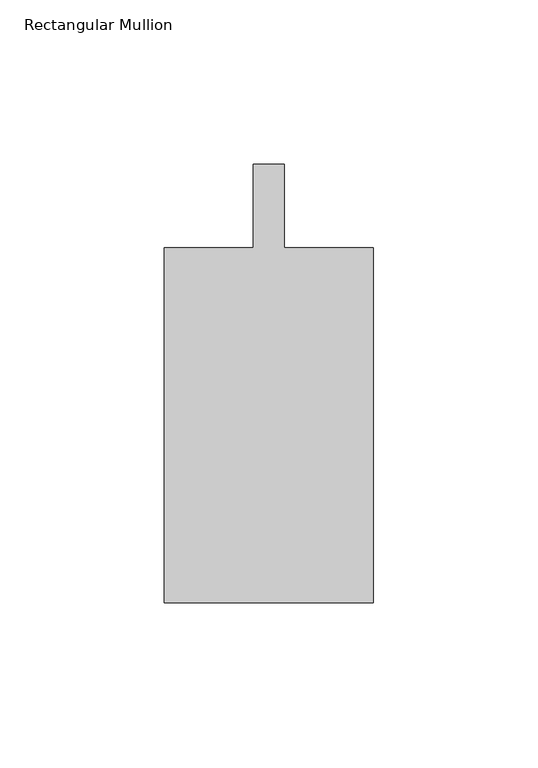
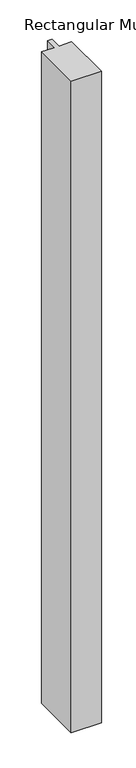
"""IFC4 building model written with IfcOpenShell, lengths in millimetres: member geometry, Rectangular Mullion."""

from ifc_helpers import new_model, si_unit, frame, origin, place, context, project, spatial, polyline, outline, extrude, source, transform, mapped, element, save


def rectangular_mullion_23effe72(model_context):
    return source(origin(), model_context, "Body", "SweptSolid", [
        extrude(outline(polyline([(-4.7625, -12.7), (-4.7625, 12.7), (4.7625, 12.7), (4.7625, -12.7), (31.75, -12.7), (31.75, -120.65), (-31.75, -120.65), (-31.75, -12.7), (-4.7625, -12.7)])), frame((0.0, 0.0, -1454.15), z_axis=(0.0, 0.0, 1.0), x_axis=(1.0, 0.0, 0.0)), (0.0, 0.0, 1.0), 1454.15),
    ])


if __name__ == "__main__":
    model = new_model("IFC4")
    model_context = context("Model", 3, world=origin())
    ifc_project = project(units=[si_unit("LENGTHUNIT", "METRE", prefix="MILLI")], contexts=[model_context])
    site = spatial("IfcSite", under=ifc_project)
    building = spatial("IfcBuilding", under=site)
    placement = place(None, origin())
    rectangular_mullion_shape = rectangular_mullion_23effe72(model_context)
    element("IfcMember", 1, ObjectType="Rectangular Mullion", at=placement, inside=building, context=model_context, shape_type="MappedRepresentation", body=[
        mapped(rectangular_mullion_shape, transform((0.0, 0.0, 0.0), x_axis=(1.0, 0.0, 0.0), y_axis=(0.0, 1.0, 0.0), z_axis=(0.0, 0.0, 1.0))),
    ])
    save(model, "model.ifc")
